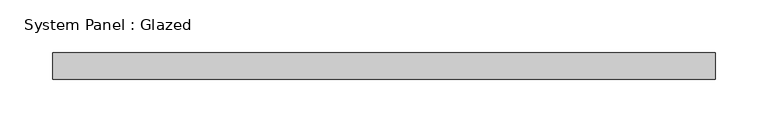
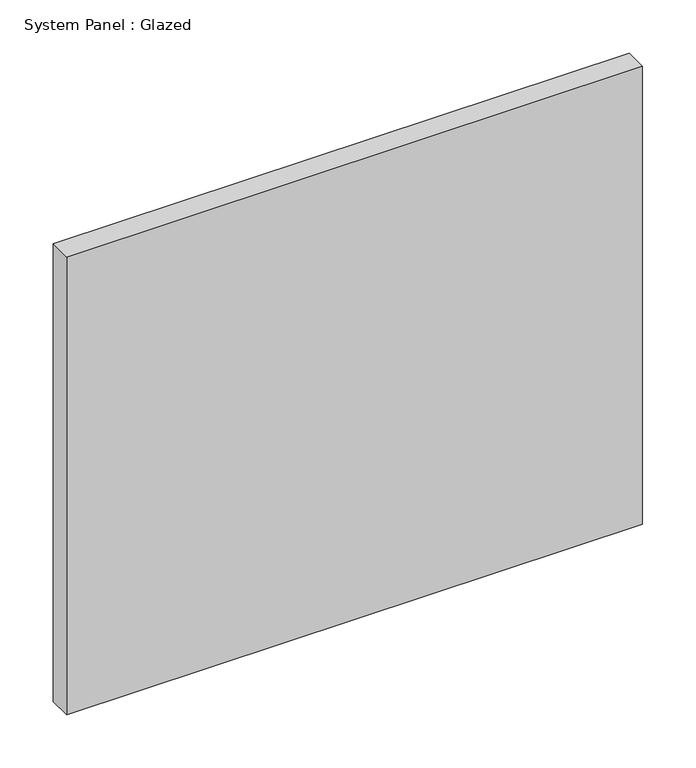
"""IFC4 building model written with IfcOpenShell, lengths in millimetres: plate geometry, System Panel : Glazed."""

from ifc_helpers import new_model, si_unit, origin, origin_with_axes, place, context, project, spatial, polyline, outline, extrude, source, transform, mapped, element, save


def system_panel_glazed_31a24db6(model_context):
    return source(origin(), model_context, "Body", "SweptSolid", [
        extrude(outline(polyline([(312.5, 24.5), (-312.5, 24.5), (-312.5, 49.5), (312.5, 49.5), (312.5, 24.5)])), origin_with_axes(), (0.0, 0.0, 1.0), 525.0),
    ])


if __name__ == "__main__":
    model = new_model("IFC4")
    model_context = context("Model", 3, world=origin())
    ifc_project = project(units=[si_unit("LENGTHUNIT", "METRE", prefix="MILLI")], contexts=[model_context])
    site = spatial("IfcSite", under=ifc_project)
    building = spatial("IfcBuilding", under=site)
    placement = place(None, origin())
    system_panel_glazed_shape = system_panel_glazed_31a24db6(model_context)
    element("IfcPlate", 1, ObjectType="System Panel : Glazed", at=placement, inside=building, context=model_context, shape_type="MappedRepresentation", body=[
        mapped(system_panel_glazed_shape, transform((0.0, 0.0, 0.0), x_axis=(1.0, 0.0, 0.0), y_axis=(0.0, 1.0, 0.0), z_axis=(0.0, 0.0, 1.0))),
    ])
    save(model, "model.ifc")
